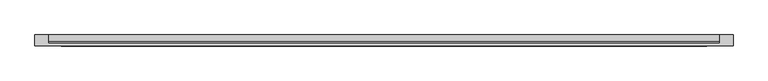
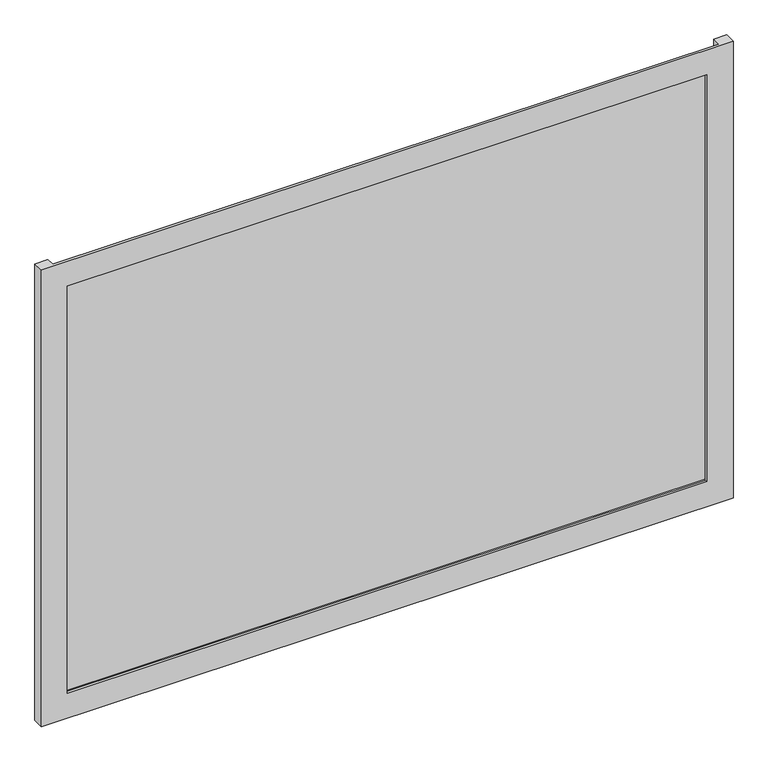
"""IFC4 building model written with IfcOpenShell, lengths in millimetres: plate geometry."""

from ifc_helpers import new_model, si_unit, origin, origin_with_axes, place, context, project, spatial, polyline, outline, extrude, faceted_brep, source, transform, mapped, element, save


def plate_b7c12b06(model_context):
    return source(origin(), model_context, "Body", "SolidModel", [
        faceted_brep([(662.5, -50.8, -50.0), (662.5, -71.8, -50.0), (-662.5, -71.8, -50.0), (-662.5, -50.8, -50.0), (-637.5, -50.8, -50.0), (-637.5, -66.8, -50.0), (637.5, -66.8, -50.0), (637.5, -50.8, -50.0), (612.5, -71.8, 0.0), (612.5, -66.8, 0.0), (-612.5, -66.8, 0.0), (-612.5, -71.8, 0.0), (662.5, -71.8, 875.0), (-662.5, -71.8, 875.0), (-612.5, -71.8, 825.0), (612.5, -71.8, 825.0), (-637.5, -66.8, 875.0), (637.5, -66.8, 875.0), (612.5, -66.8, 825.0), (-612.5, -66.8, 825.0), (662.5, -50.8, 875.0), (637.5, -50.8, 875.0), (-637.5, -50.8, 875.0), (-662.5, -50.8, 875.0)], [[[0, 1, 2, 3, 4, 5, 6, 7]], [[8, 9, 10, 11]], [[12, 13, 2, 1], [11, 14, 15, 8]], [[16, 17, 6, 5], [9, 18, 19, 10]], [[20, 21, 17, 16, 22, 23, 13, 12]], [[20, 0, 7, 21]], [[21, 7, 6, 17]], [[8, 15, 18, 9]], [[12, 1, 0, 20]], [[22, 4, 3, 23]], [[16, 5, 4, 22]], [[10, 19, 14, 11]], [[23, 3, 2, 13]], [[18, 15, 14, 19]]]),
        extrude(outline(polyline([(637.5, -50.8), (637.5, -63.2), (-637.5, -63.2), (-637.5, -50.8), (637.5, -50.8)])), origin_with_axes(), (0.0, 0.0, 1.0), 825.0),
    ])


if __name__ == "__main__":
    model = new_model("IFC4")
    model_context = context("Model", 3, world=origin())
    ifc_project = project(units=[si_unit("LENGTHUNIT", "METRE", prefix="MILLI")], contexts=[model_context])
    site = spatial("IfcSite", under=ifc_project)
    building = spatial("IfcBuilding", under=site)
    placement = place(None, origin())
    plate_shape = plate_b7c12b06(model_context)
    element("IfcPlate", 1, at=placement, inside=building, context=model_context, shape_type="MappedRepresentation", body=[
        mapped(plate_shape, transform((0.0, 0.0, 0.0), x_axis=(1.0, 0.0, 0.0), y_axis=(0.0, 1.0, 0.0), z_axis=(0.0, 0.0, 1.0))),
    ])
    save(model, "model.ifc")
